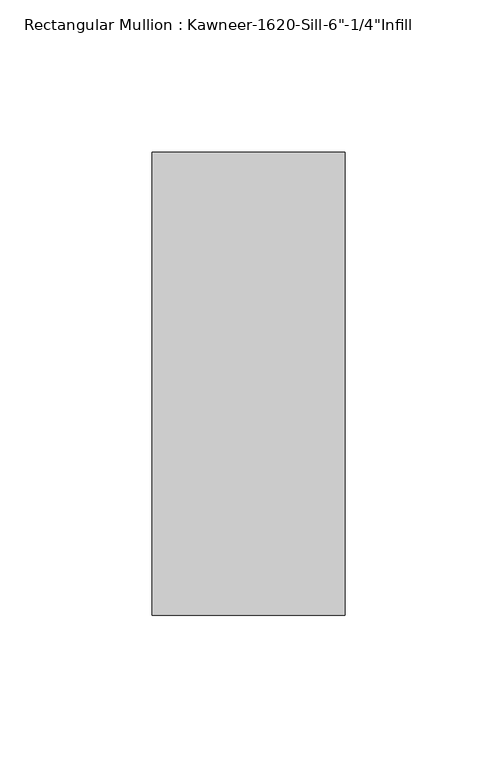
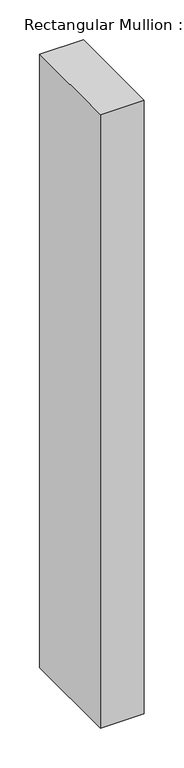
"""IFC4 building model written with IfcOpenShell, lengths in millimetres: member geometry."""

from ifc_helpers import new_model, si_unit, frame, origin, place, context, project, spatial, polyline, outline, extrude, source, transform, mapped, element, save


def member_be63d55f(model_context):
    return source(origin(), model_context, "Body", "SweptSolid", [
        extrude(outline(polyline([(-63.5, 28.575), (0.0, 28.575), (0.0, -123.825), (-63.5, -123.825), (-63.5, 28.575)])), frame((0.0, 0.0, -939.1230791), z_axis=(0.0, 0.0, 1.0), x_axis=(1.0, 0.0, 0.0)), (0.0, 0.0, 1.0), 939.1230791),
    ])


if __name__ == "__main__":
    model = new_model("IFC4")
    model_context = context("Model", 3, world=origin())
    ifc_project = project(units=[si_unit("LENGTHUNIT", "METRE", prefix="MILLI")], contexts=[model_context])
    site = spatial("IfcSite", under=ifc_project)
    building = spatial("IfcBuilding", under=site)
    placement = place(None, origin())
    member_shape = member_be63d55f(model_context)
    element("IfcMember", 1, ObjectType="Rectangular Mullion : Kawneer-1620-Sill-6\"-1/4\"Infill", at=placement, inside=building, context=model_context, shape_type="MappedRepresentation", body=[
        mapped(member_shape, transform((0.0, 0.0, 0.0), x_axis=(1.0, 0.0, 0.0), y_axis=(0.0, 1.0, 0.0), z_axis=(0.0, 0.0, 1.0))),
    ])
    save(model, "model.ifc")
